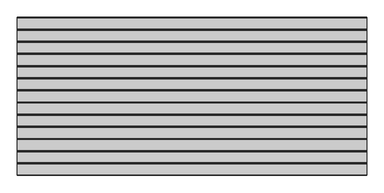
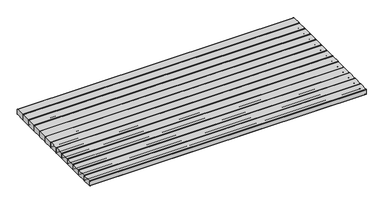
"""IFC4 building model written with IfcOpenShell, lengths in millimetres: furniture geometry."""

from ifc_helpers import new_model, si_unit, frame, origin, place, context, project, spatial, circle_curve, source, transform, mapped, element, save
from ifc_brep_helpers import plane_surface, cylinder_surface, advanced_brep


def furniture_433c8717(model_context):
    return source(origin(), model_context, "Body", "AdvancedBrep", [
        advanced_brep(
        [(1199.9999759, -916.1308913, 172.8), (1199.9999759, -919.1308913, 169.8), (1199.9999759, -919.1308913, 128.3), (1199.9999759, -916.1308913, 125.3), (1199.9999759, -838.5594304, 125.3), (1199.9999759, -835.5656739, 128.2937565), (1199.9999759, -835.5656739, 169.8), (1199.9999759, -838.5656739, 172.8), (-1199.9998, -916.1308913, 172.8), (-1199.9998, -838.5656739, 172.8), (-1199.9998, -835.5656739, 169.8), (-1199.9998, -835.5656739, 128.2937565), (-1199.9998, -838.5594304, 125.3), (-1199.9998, -916.1308913, 125.3), (-1199.9998, -919.1308913, 128.3), (-1199.9998, -919.1308913, 169.8), (-1149.9999759, -916.1308913, 125.3), (1149.9999759, -916.1308913, 125.3), (-1149.9999759, -838.5594304, 125.3), (1149.9999759, -838.5594304, 125.3)],
        [
            (0, 1, circle_curve(frame((1199.9999759, -916.1308913, 169.8), z_axis=(1.0, 0.0, 0.0), x_axis=(0.0, -1.0, 0.0)), 3.0)),
            (1, 2),
            (2, 3, circle_curve(frame((1199.9999759, -916.1308913, 128.3), z_axis=(1.0, 0.0, 0.0), x_axis=(0.0, -1.0, 0.0)), 3.0)),
            (3, 4),
            (4, 5, circle_curve(frame((1199.9999759, -838.5594304, 128.2937565), z_axis=(1.0, 0.0, 0.0), x_axis=(0.0, -1.0, 0.0)), 2.9937565)),
            (5, 6),
            (6, 7, circle_curve(frame((1199.9999759, -838.5656739, 169.8), z_axis=(1.0, 0.0, 0.0), x_axis=(0.0, -1.0, 0.0)), 3.0)),
            (7, 0),
            (8, 9),
            (9, 10, circle_curve(frame((-1199.9998, -838.5656739, 169.8), z_axis=(-1.0, 0.0, 0.0), x_axis=(0.0, -1.0, 0.0)), 3.0)),
            (10, 11),
            (11, 12, circle_curve(frame((-1199.9998, -838.5594304, 128.2937565), z_axis=(-1.0, 0.0, 0.0), x_axis=(0.0, -1.0, 0.0)), 2.9937565)),
            (12, 13),
            (13, 14, circle_curve(frame((-1199.9998, -916.1308913, 128.3), z_axis=(-1.0, 0.0, 0.0), x_axis=(0.0, -1.0, 0.0)), 3.0)),
            (14, 15),
            (15, 8, circle_curve(frame((-1199.9998, -916.1308913, 169.8), z_axis=(-1.0, 0.0, 0.0), x_axis=(0.0, -1.0, 0.0)), 3.0)),
            (0, 8),
            (15, 1),
            (14, 2),
            (13, 16),
            (16, 17),
            (17, 3),
            (12, 18),
            (18, 19),
            (19, 4),
            (11, 5),
            (10, 6),
            (9, 7),
        ],
        [
            plane_surface(frame((1199.9999759, -919.1308913, 169.8), z_axis=(1.0, 0.0, 0.0), x_axis=(0.0, 0.0, -1.0))),
            plane_surface(frame((-1199.9998, -919.1308913, 169.8), z_axis=(-1.0, 0.0, 0.0), x_axis=(0.0, 0.0, 1.0))),
            cylinder_surface(frame((-1199.9998, -916.1308913, 169.8), z_axis=(1.0, 0.0, 0.0), x_axis=(0.0, -1.0, 0.0)), 3.0),
            plane_surface(frame((1199.9999759, -919.1308913, 169.8), z_axis=(0.0, -1.0, 0.0), x_axis=(-1.0, 0.0, 0.0))),
            cylinder_surface(frame((-1199.9998, -916.1308913, 128.3), z_axis=(1.0, 0.0, 0.0), x_axis=(0.0, -1.0, 0.0)), 3.0),
            plane_surface(frame((1199.9999759, -916.1308913, 125.3), z_axis=(0.0, 0.0, -1.0), x_axis=(-1.0, 0.0, 0.0))),
            cylinder_surface(frame((-1199.9998, -838.5594304, 128.2937565), z_axis=(1.0, 0.0, 0.0), x_axis=(0.0, -1.0, 0.0)), 2.9937565),
            plane_surface(frame((1199.9999759, -835.5656739, 128.2937565), z_axis=(0.0, 1.0, 0.0), x_axis=(-1.0, 0.0, 0.0))),
            cylinder_surface(frame((-1199.9998, -838.5656739, 169.8), z_axis=(1.0, 0.0, 0.0), x_axis=(0.0, -1.0, 0.0)), 3.0),
            plane_surface(frame((1199.9999759, -838.5656739, 172.8), z_axis=(0.0, 0.0, 1.0), x_axis=(-1.0, 0.0, 0.0))),
        ],
        [
            (0, [[1, 2, 3, 4, 5, 6, 7, 8]]),
            (1, [[9, 10, 11, 12, 13, 14, 15, 16]]),
            (2, [[-1, 17, -16, 18]]),
            (3, [[-2, -18, -15, 19]]),
            (4, [[-3, -19, -14, 20, 21, 22]]),
            (5, [[-4, -22, -21, -20, -13, 23, 24, 25]]),
            (6, [[-5, -25, -24, -23, -12, 26]]),
            (7, [[-6, -26, -11, 27]]),
            (8, [[-7, -27, -10, 28]]),
            (9, [[-8, -28, -9, -17]]),
        ],
    ),
        advanced_brep(
        [(1199.9999759, -832.5656739, 172.8), (1199.9999759, -835.5656739, 169.8), (1199.9999759, -835.5656739, 128.3), (1199.9999759, -832.5656739, 125.3), (1199.9999759, -754.994213, 125.3), (1199.9999759, -752.0004565, 128.2937565), (1199.9999759, -752.0004565, 169.8), (1199.9999759, -755.0004565, 172.8), (-1199.9998, -832.5656739, 172.8), (-1199.9998, -755.0004565, 172.8), (-1199.9998, -752.0004565, 169.8), (-1199.9998, -752.0004565, 128.2937565), (-1199.9998, -754.994213, 125.3), (-1199.9998, -832.5656739, 125.3), (-1199.9998, -835.5656739, 128.3), (-1199.9998, -835.5656739, 169.8), (-1149.9999759, -832.5656739, 125.3), (1149.9999759, -832.5656739, 125.3), (-1149.9999759, -754.994213, 125.3), (1149.9999759, -754.994213, 125.3)],
        [
            (0, 1, circle_curve(frame((1199.9999759, -832.5656739, 169.8), z_axis=(1.0, 0.0, 0.0), x_axis=(0.0, -1.0, 0.0)), 3.0)),
            (1, 2),
            (2, 3, circle_curve(frame((1199.9999759, -832.5656739, 128.3), z_axis=(1.0, 0.0, 0.0), x_axis=(0.0, -1.0, 0.0)), 3.0)),
            (3, 4),
            (4, 5, circle_curve(frame((1199.9999759, -754.994213, 128.2937565), z_axis=(1.0, 0.0, 0.0), x_axis=(0.0, -1.0, 0.0)), 2.9937565)),
            (5, 6),
            (6, 7, circle_curve(frame((1199.9999759, -755.0004565, 169.8), z_axis=(1.0, 0.0, 0.0), x_axis=(0.0, -1.0, 0.0)), 3.0)),
            (7, 0),
            (8, 9),
            (9, 10, circle_curve(frame((-1199.9998, -755.0004565, 169.8), z_axis=(-1.0, 0.0, 0.0), x_axis=(0.0, -1.0, 0.0)), 3.0)),
            (10, 11),
            (11, 12, circle_curve(frame((-1199.9998, -754.994213, 128.2937565), z_axis=(-1.0, 0.0, 0.0), x_axis=(0.0, -1.0, 0.0)), 2.9937565)),
            (12, 13),
            (13, 14, circle_curve(frame((-1199.9998, -832.5656739, 128.3), z_axis=(-1.0, 0.0, 0.0), x_axis=(0.0, -1.0, 0.0)), 3.0)),
            (14, 15),
            (15, 8, circle_curve(frame((-1199.9998, -832.5656739, 169.8), z_axis=(-1.0, 0.0, 0.0), x_axis=(0.0, -1.0, 0.0)), 3.0)),
            (0, 8),
            (15, 1),
            (14, 2),
            (13, 16),
            (16, 17),
            (17, 3),
            (12, 18),
            (18, 19),
            (19, 4),
            (11, 5),
            (10, 6),
            (9, 7),
        ],
        [
            plane_surface(frame((1199.9999759, -835.5656739, 169.8), z_axis=(1.0, 0.0, 0.0), x_axis=(0.0, 0.0, -1.0))),
            plane_surface(frame((-1199.9998, -835.5656739, 169.8), z_axis=(-1.0, 0.0, 0.0), x_axis=(0.0, 0.0, 1.0))),
            cylinder_surface(frame((-1199.9998, -832.5656739, 169.8), z_axis=(1.0, 0.0, 0.0), x_axis=(0.0, -1.0, 0.0)), 3.0),
            plane_surface(frame((1199.9999759, -835.5656739, 169.8), z_axis=(0.0, -1.0, 0.0), x_axis=(-1.0, 0.0, 0.0))),
            cylinder_surface(frame((-1199.9998, -832.5656739, 128.3), z_axis=(1.0, 0.0, 0.0), x_axis=(0.0, -1.0, 0.0)), 3.0),
            plane_surface(frame((1199.9999759, -832.5656739, 125.3), z_axis=(0.0, 0.0, -1.0), x_axis=(-1.0, 0.0, 0.0))),
            cylinder_surface(frame((-1199.9998, -754.994213, 128.2937565), z_axis=(1.0, 0.0, 0.0), x_axis=(0.0, -1.0, 0.0)), 2.9937565),
            plane_surface(frame((1199.9999759, -752.0004565, 128.2937565), z_axis=(0.0, 1.0, 0.0), x_axis=(-1.0, 0.0, 0.0))),
            cylinder_surface(frame((-1199.9998, -755.0004565, 169.8), z_axis=(1.0, 0.0, 0.0), x_axis=(0.0, -1.0, 0.0)), 3.0),
            plane_surface(frame((1199.9999759, -755.0004565, 172.8), z_axis=(0.0, 0.0, 1.0), x_axis=(-1.0, 0.0, 0.0))),
        ],
        [
            (0, [[1, 2, 3, 4, 5, 6, 7, 8]]),
            (1, [[9, 10, 11, 12, 13, 14, 15, 16]]),
            (2, [[-1, 17, -16, 18]]),
            (3, [[-2, -18, -15, 19]]),
            (4, [[-3, -19, -14, 20, 21, 22]]),
            (5, [[-4, -22, -21, -20, -13, 23, 24, 25]]),
            (6, [[-5, -25, -24, -23, -12, 26]]),
            (7, [[-6, -26, -11, 27]]),
            (8, [[-7, -27, -10, 28]]),
            (9, [[-8, -28, -9, -17]]),
        ],
    ),
        advanced_brep(
        [(1199.9999759, -749.0004565, 172.8), (1199.9999759, -752.0004565, 169.8), (1199.9999759, -752.0004565, 128.3), (1199.9999759, -749.0004565, 125.3), (1199.9999759, -671.4289956, 125.3), (1199.9999759, -668.4352391, 128.2937565), (1199.9999759, -668.4352391, 169.8), (1199.9999759, -671.4352391, 172.8), (-1199.9998, -749.0004565, 172.8), (-1199.9998, -671.4352391, 172.8), (-1199.9998, -668.4352391, 169.8), (-1199.9998, -668.4352391, 128.2937565), (-1199.9998, -671.4289956, 125.3), (-1199.9998, -749.0004565, 125.3), (-1199.9998, -752.0004565, 128.3), (-1199.9998, -752.0004565, 169.8), (-1149.9999759, -749.0004565, 125.3), (1149.9999759, -749.0004565, 125.3), (-1149.9999759, -671.4289956, 125.3), (1149.9999759, -671.4289956, 125.3)],
        [
            (0, 1, circle_curve(frame((1199.9999759, -749.0004565, 169.8), z_axis=(1.0, 0.0, 0.0), x_axis=(0.0, -1.0, 0.0)), 3.0)),
            (1, 2),
            (2, 3, circle_curve(frame((1199.9999759, -749.0004565, 128.3), z_axis=(1.0, 0.0, 0.0), x_axis=(0.0, -1.0, 0.0)), 3.0)),
            (3, 4),
            (4, 5, circle_curve(frame((1199.9999759, -671.4289956, 128.2937565), z_axis=(1.0, 0.0, 0.0), x_axis=(0.0, -1.0, 0.0)), 2.9937565)),
            (5, 6),
            (6, 7, circle_curve(frame((1199.9999759, -671.4352391, 169.8), z_axis=(1.0, 0.0, 0.0), x_axis=(0.0, -1.0, 0.0)), 3.0)),
            (7, 0),
            (8, 9),
            (9, 10, circle_curve(frame((-1199.9998, -671.4352391, 169.8), z_axis=(-1.0, 0.0, 0.0), x_axis=(0.0, -1.0, 0.0)), 3.0)),
            (10, 11),
            (11, 12, circle_curve(frame((-1199.9998, -671.4289956, 128.2937565), z_axis=(-1.0, 0.0, 0.0), x_axis=(0.0, -1.0, 0.0)), 2.9937565)),
            (12, 13),
            (13, 14, circle_curve(frame((-1199.9998, -749.0004565, 128.3), z_axis=(-1.0, 0.0, 0.0), x_axis=(0.0, -1.0, 0.0)), 3.0)),
            (14, 15),
            (15, 8, circle_curve(frame((-1199.9998, -749.0004565, 169.8), z_axis=(-1.0, 0.0, 0.0), x_axis=(0.0, -1.0, 0.0)), 3.0)),
            (0, 8),
            (15, 1),
            (14, 2),
            (13, 16),
            (16, 17),
            (17, 3),
            (12, 18),
            (18, 19),
            (19, 4),
            (11, 5),
            (10, 6),
            (9, 7),
        ],
        [
            plane_surface(frame((1199.9999759, -752.0004565, 169.8), z_axis=(1.0, 0.0, 0.0), x_axis=(0.0, 0.0, -1.0))),
            plane_surface(frame((-1199.9998, -752.0004565, 169.8), z_axis=(-1.0, 0.0, 0.0), x_axis=(0.0, 0.0, 1.0))),
            cylinder_surface(frame((-1199.9998, -749.0004565, 169.8), z_axis=(1.0, 0.0, 0.0), x_axis=(0.0, -1.0, 0.0)), 3.0),
            plane_surface(frame((1199.9999759, -752.0004565, 169.8), z_axis=(0.0, -1.0, 0.0), x_axis=(-1.0, 0.0, 0.0))),
            cylinder_surface(frame((-1199.9998, -749.0004565, 128.3), z_axis=(1.0, 0.0, 0.0), x_axis=(0.0, -1.0, 0.0)), 3.0),
            plane_surface(frame((1199.9999759, -749.0004565, 125.3), z_axis=(0.0, 0.0, -1.0), x_axis=(-1.0, 0.0, 0.0))),
            cylinder_surface(frame((-1199.9998, -671.4289956, 128.2937565), z_axis=(1.0, 0.0, 0.0), x_axis=(0.0, -1.0, 0.0)), 2.9937565),
            plane_surface(frame((1199.9999759, -668.4352391, 128.2937565), z_axis=(0.0, 1.0, 0.0), x_axis=(-1.0, 0.0, 0.0))),
            cylinder_surface(frame((-1199.9998, -671.4352391, 169.8), z_axis=(1.0, 0.0, 0.0), x_axis=(0.0, -1.0, 0.0)), 3.0),
            plane_surface(frame((1199.9999759, -671.4352391, 172.8), z_axis=(0.0, 0.0, 1.0), x_axis=(-1.0, 0.0, 0.0))),
        ],
        [
            (0, [[1, 2, 3, 4, 5, 6, 7, 8]]),
            (1, [[9, 10, 11, 12, 13, 14, 15, 16]]),
            (2, [[-1, 17, -16, 18]]),
            (3, [[-2, -18, -15, 19]]),
            (4, [[-3, -19, -14, 20, 21, 22]]),
            (5, [[-4, -22, -21, -20, -13, 23, 24, 25]]),
            (6, [[-5, -25, -24, -23, -12, 26]]),
            (7, [[-6, -26, -11, 27]]),
            (8, [[-7, -27, -10, 28]]),
            (9, [[-8, -28, -9, -17]]),
        ],
    ),
        advanced_brep(
        [(1199.9999759, -665.4352391, 172.8), (1199.9999759, -668.4352391, 169.8), (1199.9999759, -668.4352391, 128.3), (1199.9999759, -665.4352391, 125.3), (1199.9999759, -587.8637782, 125.3), (1199.9999759, -584.8700217, 128.2937565), (1199.9999759, -584.8700217, 169.8), (1199.9999759, -587.8700217, 172.8), (-1199.9998, -665.4352391, 172.8), (-1199.9998, -587.8700217, 172.8), (-1199.9998, -584.8700217, 169.8), (-1199.9998, -584.8700217, 128.2937565), (-1199.9998, -587.8637782, 125.3), (-1199.9998, -665.4352391, 125.3), (-1199.9998, -668.4352391, 128.3), (-1199.9998, -668.4352391, 169.8), (-1149.9999759, -665.4352391, 125.3), (1149.9999759, -665.4352391, 125.3), (-1149.9999759, -587.8637782, 125.3), (1149.9999759, -587.8637782, 125.3)],
        [
            (0, 1, circle_curve(frame((1199.9999759, -665.4352391, 169.8), z_axis=(1.0, 0.0, 0.0), x_axis=(0.0, -1.0, 0.0)), 3.0)),
            (1, 2),
            (2, 3, circle_curve(frame((1199.9999759, -665.4352391, 128.3), z_axis=(1.0, 0.0, 0.0), x_axis=(0.0, -1.0, 0.0)), 3.0)),
            (3, 4),
            (4, 5, circle_curve(frame((1199.9999759, -587.8637782, 128.2937565), z_axis=(1.0, 0.0, 0.0), x_axis=(0.0, -1.0, 0.0)), 2.9937565)),
            (5, 6),
            (6, 7, circle_curve(frame((1199.9999759, -587.8700217, 169.8), z_axis=(1.0, 0.0, 0.0), x_axis=(0.0, -1.0, 0.0)), 3.0)),
            (7, 0),
            (8, 9),
            (9, 10, circle_curve(frame((-1199.9998, -587.8700217, 169.8), z_axis=(-1.0, 0.0, 0.0), x_axis=(0.0, -1.0, 0.0)), 3.0)),
            (10, 11),
            (11, 12, circle_curve(frame((-1199.9998, -587.8637782, 128.2937565), z_axis=(-1.0, 0.0, 0.0), x_axis=(0.0, -1.0, 0.0)), 2.9937565)),
            (12, 13),
            (13, 14, circle_curve(frame((-1199.9998, -665.4352391, 128.3), z_axis=(-1.0, 0.0, 0.0), x_axis=(0.0, -1.0, 0.0)), 3.0)),
            (14, 15),
            (15, 8, circle_curve(frame((-1199.9998, -665.4352391, 169.8), z_axis=(-1.0, 0.0, 0.0), x_axis=(0.0, -1.0, 0.0)), 3.0)),
            (0, 8),
            (15, 1),
            (14, 2),
            (13, 16),
            (16, 17),
            (17, 3),
            (12, 18),
            (18, 19),
            (19, 4),
            (11, 5),
            (10, 6),
            (9, 7),
        ],
        [
            plane_surface(frame((1199.9999759, -668.4352391, 169.8), z_axis=(1.0, 0.0, 0.0), x_axis=(0.0, 0.0, -1.0))),
            plane_surface(frame((-1199.9998, -668.4352391, 169.8), z_axis=(-1.0, 0.0, 0.0), x_axis=(0.0, 0.0, 1.0))),
            cylinder_surface(frame((-1199.9998, -665.4352391, 169.8), z_axis=(1.0, 0.0, 0.0), x_axis=(0.0, -1.0, 0.0)), 3.0),
            plane_surface(frame((1199.9999759, -668.4352391, 169.8), z_axis=(0.0, -1.0, 0.0), x_axis=(-1.0, 0.0, 0.0))),
            cylinder_surface(frame((-1199.9998, -665.4352391, 128.3), z_axis=(1.0, 0.0, 0.0), x_axis=(0.0, -1.0, 0.0)), 3.0),
            plane_surface(frame((1199.9999759, -665.4352391, 125.3), z_axis=(0.0, 0.0, -1.0), x_axis=(-1.0, 0.0, 0.0))),
            cylinder_surface(frame((-1199.9998, -587.8637782, 128.2937565), z_axis=(1.0, 0.0, 0.0), x_axis=(0.0, -1.0, 0.0)), 2.9937565),
            plane_surface(frame((1199.9999759, -584.8700217, 128.2937565), z_axis=(0.0, 1.0, 0.0), x_axis=(-1.0, 0.0, 0.0))),
            cylinder_surface(frame((-1199.9998, -587.8700217, 169.8), z_axis=(1.0, 0.0, 0.0), x_axis=(0.0, -1.0, 0.0)), 3.0),
            plane_surface(frame((1199.9999759, -587.8700217, 172.8), z_axis=(0.0, 0.0, 1.0), x_axis=(-1.0, 0.0, 0.0))),
        ],
        [
            (0, [[1, 2, 3, 4, 5, 6, 7, 8]]),
            (1, [[9, 10, 11, 12, 13, 14, 15, 16]]),
            (2, [[-1, 17, -16, 18]]),
            (3, [[-2, -18, -15, 19]]),
            (4, [[-3, -19, -14, 20, 21, 22]]),
            (5, [[-4, -22, -21, -20, -13, 23, 24, 25]]),
            (6, [[-5, -25, -24, -23, -12, 26]]),
            (7, [[-6, -26, -11, 27]]),
            (8, [[-7, -27, -10, 28]]),
            (9, [[-8, -28, -9, -17]]),
        ],
    ),
        advanced_brep(
        [(1199.9999759, -581.8700217, 172.8), (1199.9999759, -584.8700217, 169.8), (1199.9999759, -584.8700217, 128.3), (1199.9999759, -581.8700217, 125.3), (1199.9999759, -504.2985608, 125.3), (1199.9999759, -501.3048043, 128.2937565), (1199.9999759, -501.3048043, 169.8), (1199.9999759, -504.3048043, 172.8), (-1199.9998, -581.8700217, 172.8), (-1199.9998, -504.3048043, 172.8), (-1199.9998, -501.3048043, 169.8), (-1199.9998, -501.3048043, 128.2937565), (-1199.9998, -504.2985608, 125.3), (-1199.9998, -581.8700217, 125.3), (-1199.9998, -584.8700217, 128.3), (-1199.9998, -584.8700217, 169.8), (-1149.9999759, -581.8700217, 125.3), (1149.9999759, -581.8700217, 125.3), (-1149.9999759, -504.2985608, 125.3), (1149.9999759, -504.2985608, 125.3)],
        [
            (0, 1, circle_curve(frame((1199.9999759, -581.8700217, 169.8), z_axis=(1.0, 0.0, 0.0), x_axis=(0.0, -1.0, 0.0)), 3.0)),
            (1, 2),
            (2, 3, circle_curve(frame((1199.9999759, -581.8700217, 128.3), z_axis=(1.0, 0.0, 0.0), x_axis=(0.0, -1.0, 0.0)), 3.0)),
            (3, 4),
            (4, 5, circle_curve(frame((1199.9999759, -504.2985608, 128.2937565), z_axis=(1.0, 0.0, 0.0), x_axis=(0.0, -1.0, 0.0)), 2.9937565)),
            (5, 6),
            (6, 7, circle_curve(frame((1199.9999759, -504.3048043, 169.8), z_axis=(1.0, 0.0, 0.0), x_axis=(0.0, -1.0, 0.0)), 3.0)),
            (7, 0),
            (8, 9),
            (9, 10, circle_curve(frame((-1199.9998, -504.3048043, 169.8), z_axis=(-1.0, 0.0, 0.0), x_axis=(0.0, -1.0, 0.0)), 3.0)),
            (10, 11),
            (11, 12, circle_curve(frame((-1199.9998, -504.2985608, 128.2937565), z_axis=(-1.0, 0.0, 0.0), x_axis=(0.0, -1.0, 0.0)), 2.9937565)),
            (12, 13),
            (13, 14, circle_curve(frame((-1199.9998, -581.8700217, 128.3), z_axis=(-1.0, 0.0, 0.0), x_axis=(0.0, -1.0, 0.0)), 3.0)),
            (14, 15),
            (15, 8, circle_curve(frame((-1199.9998, -581.8700217, 169.8), z_axis=(-1.0, 0.0, 0.0), x_axis=(0.0, -1.0, 0.0)), 3.0)),
            (0, 8),
            (15, 1),
            (14, 2),
            (13, 16),
            (16, 17),
            (17, 3),
            (12, 18),
            (18, 19),
            (19, 4),
            (11, 5),
            (10, 6),
            (9, 7),
        ],
        [
            plane_surface(frame((1199.9999759, -584.8700217, 169.8), z_axis=(1.0, 0.0, 0.0), x_axis=(0.0, 0.0, -1.0))),
            plane_surface(frame((-1199.9998, -584.8700217, 169.8), z_axis=(-1.0, 0.0, 0.0), x_axis=(0.0, 0.0, 1.0))),
            cylinder_surface(frame((-1199.9998, -581.8700217, 169.8), z_axis=(1.0, 0.0, 0.0), x_axis=(0.0, -1.0, 0.0)), 3.0),
            plane_surface(frame((1199.9999759, -584.8700217, 169.8), z_axis=(0.0, -1.0, 0.0), x_axis=(-1.0, 0.0, 0.0))),
            cylinder_surface(frame((-1199.9998, -581.8700217, 128.3), z_axis=(1.0, 0.0, 0.0), x_axis=(0.0, -1.0, 0.0)), 3.0),
            plane_surface(frame((1199.9999759, -581.8700217, 125.3), z_axis=(0.0, 0.0, -1.0), x_axis=(-1.0, 0.0, 0.0))),
            cylinder_surface(frame((-1199.9998, -504.2985608, 128.2937565), z_axis=(1.0, 0.0, 0.0), x_axis=(0.0, -1.0, 0.0)), 2.9937565),
            plane_surface(frame((1199.9999759, -501.3048043, 128.2937565), z_axis=(0.0, 1.0, 0.0), x_axis=(-1.0, 0.0, 0.0))),
            cylinder_surface(frame((-1199.9998, -504.3048043, 169.8), z_axis=(1.0, 0.0, 0.0), x_axis=(0.0, -1.0, 0.0)), 3.0),
            plane_surface(frame((1199.9999759, -504.3048043, 172.8), z_axis=(0.0, 0.0, 1.0), x_axis=(-1.0, 0.0, 0.0))),
        ],
        [
            (0, [[1, 2, 3, 4, 5, 6, 7, 8]]),
            (1, [[9, 10, 11, 12, 13, 14, 15, 16]]),
            (2, [[-1, 17, -16, 18]]),
            (3, [[-2, -18, -15, 19]]),
            (4, [[-3, -19, -14, 20, 21, 22]]),
            (5, [[-4, -22, -21, -20, -13, 23, 24, 25]]),
            (6, [[-5, -25, -24, -23, -12, 26]]),
            (7, [[-6, -26, -11, 27]]),
            (8, [[-7, -27, -10, 28]]),
            (9, [[-8, -28, -9, -17]]),
        ],
    ),
        advanced_brep(
        [(1199.9999759, -498.3048043, 172.8), (1199.9999759, -501.3048043, 169.8), (1199.9999759, -501.3048043, 128.3), (1199.9999759, -498.3048043, 125.3), (1199.9999759, -420.7333434, 125.3), (1199.9999759, -417.739587, 128.2937565), (1199.9999759, -417.739587, 169.8), (1199.9999759, -420.739587, 172.8), (-1199.9998, -498.3048043, 172.8), (-1199.9998, -420.739587, 172.8), (-1199.9998, -417.739587, 169.8), (-1199.9998, -417.739587, 128.2937565), (-1199.9998, -420.7333434, 125.3), (-1199.9998, -498.3048043, 125.3), (-1199.9998, -501.3048043, 128.3), (-1199.9998, -501.3048043, 169.8), (-1149.9999759, -498.3048043, 125.3), (1149.9999759, -498.3048043, 125.3), (-1149.9999759, -420.7333434, 125.3), (1149.9999759, -420.7333434, 125.3)],
        [
            (0, 1, circle_curve(frame((1199.9999759, -498.3048043, 169.8), z_axis=(1.0, 0.0, 0.0), x_axis=(0.0, -1.0, 0.0)), 3.0)),
            (1, 2),
            (2, 3, circle_curve(frame((1199.9999759, -498.3048043, 128.3), z_axis=(1.0, 0.0, 0.0), x_axis=(0.0, -1.0, 0.0)), 3.0)),
            (3, 4),
            (4, 5, circle_curve(frame((1199.9999759, -420.7333434, 128.2937565), z_axis=(1.0, 0.0, 0.0), x_axis=(0.0, -1.0, 0.0)), 2.9937565)),
            (5, 6),
            (6, 7, circle_curve(frame((1199.9999759, -420.739587, 169.8), z_axis=(1.0, 0.0, 0.0), x_axis=(0.0, -1.0, 0.0)), 3.0)),
            (7, 0),
            (8, 9),
            (9, 10, circle_curve(frame((-1199.9998, -420.739587, 169.8), z_axis=(-1.0, 0.0, 0.0), x_axis=(0.0, -1.0, 0.0)), 3.0)),
            (10, 11),
            (11, 12, circle_curve(frame((-1199.9998, -420.7333434, 128.2937565), z_axis=(-1.0, 0.0, 0.0), x_axis=(0.0, -1.0, 0.0)), 2.9937565)),
            (12, 13),
            (13, 14, circle_curve(frame((-1199.9998, -498.3048043, 128.3), z_axis=(-1.0, 0.0, 0.0), x_axis=(0.0, -1.0, 0.0)), 3.0)),
            (14, 15),
            (15, 8, circle_curve(frame((-1199.9998, -498.3048043, 169.8), z_axis=(-1.0, 0.0, 0.0), x_axis=(0.0, -1.0, 0.0)), 3.0)),
            (0, 8),
            (15, 1),
            (14, 2),
            (13, 16),
            (16, 17),
            (17, 3),
            (12, 18),
            (18, 19),
            (19, 4),
            (11, 5),
            (10, 6),
            (9, 7),
        ],
        [
            plane_surface(frame((1199.9999759, -501.3048043, 169.8), z_axis=(1.0, 0.0, 0.0), x_axis=(0.0, 0.0, -1.0))),
            plane_surface(frame((-1199.9998, -501.3048043, 169.8), z_axis=(-1.0, 0.0, 0.0), x_axis=(0.0, 0.0, 1.0))),
            cylinder_surface(frame((-1199.9998, -498.3048043, 169.8), z_axis=(1.0, 0.0, 0.0), x_axis=(0.0, -1.0, 0.0)), 3.0),
            plane_surface(frame((1199.9999759, -501.3048043, 169.8), z_axis=(0.0, -1.0, 0.0), x_axis=(-1.0, 0.0, 0.0))),
            cylinder_surface(frame((-1199.9998, -498.3048043, 128.3), z_axis=(1.0, 0.0, 0.0), x_axis=(0.0, -1.0, 0.0)), 3.0),
            plane_surface(frame((1199.9999759, -498.3048043, 125.3), z_axis=(0.0, 0.0, -1.0), x_axis=(-1.0, 0.0, 0.0))),
            cylinder_surface(frame((-1199.9998, -420.7333434, 128.2937565), z_axis=(1.0, 0.0, 0.0), x_axis=(0.0, -1.0, 0.0)), 2.9937565),
            plane_surface(frame((1199.9999759, -417.739587, 128.2937565), z_axis=(0.0, 1.0, 0.0), x_axis=(-1.0, 0.0, 0.0))),
            cylinder_surface(frame((-1199.9998, -420.739587, 169.8), z_axis=(1.0, 0.0, 0.0), x_axis=(0.0, -1.0, 0.0)), 3.0),
            plane_surface(frame((1199.9999759, -420.739587, 172.8), z_axis=(0.0, 0.0, 1.0), x_axis=(-1.0, 0.0, 0.0))),
        ],
        [
            (0, [[1, 2, 3, 4, 5, 6, 7, 8]]),
            (1, [[9, 10, 11, 12, 13, 14, 15, 16]]),
            (2, [[-1, 17, -16, 18]]),
            (3, [[-2, -18, -15, 19]]),
            (4, [[-3, -19, -14, 20, 21, 22]]),
            (5, [[-4, -22, -21, -20, -13, 23, 24, 25]]),
            (6, [[-5, -25, -24, -23, -12, 26]]),
            (7, [[-6, -26, -11, 27]]),
            (8, [[-7, -27, -10, 28]]),
            (9, [[-8, -28, -9, -17]]),
        ],
    ),
        advanced_brep(
        [(1199.9999759, -414.739587, 172.8), (1199.9999759, -417.739587, 169.8), (1199.9999759, -417.739587, 128.3), (1199.9999759, -414.739587, 125.3), (1199.9999759, -337.1681261, 125.3), (1199.9999759, -334.1743696, 128.2937565), (1199.9999759, -334.1743696, 169.8), (1199.9999759, -337.1743696, 172.8), (-1199.9998, -414.739587, 172.8), (-1199.9998, -337.1743696, 172.8), (-1199.9998, -334.1743696, 169.8), (-1199.9998, -334.1743696, 128.2937565), (-1199.9998, -337.1681261, 125.3), (-1199.9998, -414.739587, 125.3), (-1199.9998, -417.739587, 128.3), (-1199.9998, -417.739587, 169.8), (-1149.9999759, -414.739587, 125.3), (1149.9999759, -414.739587, 125.3), (-1149.9999759, -337.1681261, 125.3), (1149.9999759, -337.1681261, 125.3)],
        [
            (0, 1, circle_curve(frame((1199.9999759, -414.739587, 169.8), z_axis=(1.0, 0.0, 0.0), x_axis=(0.0, -1.0, 0.0)), 3.0)),
            (1, 2),
            (2, 3, circle_curve(frame((1199.9999759, -414.739587, 128.3), z_axis=(1.0, 0.0, 0.0), x_axis=(0.0, -1.0, 0.0)), 3.0)),
            (3, 4),
            (4, 5, circle_curve(frame((1199.9999759, -337.1681261, 128.2937565), z_axis=(1.0, 0.0, 0.0), x_axis=(0.0, -1.0, 0.0)), 2.9937565)),
            (5, 6),
            (6, 7, circle_curve(frame((1199.9999759, -337.1743696, 169.8), z_axis=(1.0, 0.0, 0.0), x_axis=(0.0, -1.0, 0.0)), 3.0)),
            (7, 0),
            (8, 9),
            (9, 10, circle_curve(frame((-1199.9998, -337.1743696, 169.8), z_axis=(-1.0, 0.0, 0.0), x_axis=(0.0, -1.0, 0.0)), 3.0)),
            (10, 11),
            (11, 12, circle_curve(frame((-1199.9998, -337.1681261, 128.2937565), z_axis=(-1.0, 0.0, 0.0), x_axis=(0.0, -1.0, 0.0)), 2.9937565)),
            (12, 13),
            (13, 14, circle_curve(frame((-1199.9998, -414.739587, 128.3), z_axis=(-1.0, 0.0, 0.0), x_axis=(0.0, -1.0, 0.0)), 3.0)),
            (14, 15),
            (15, 8, circle_curve(frame((-1199.9998, -414.739587, 169.8), z_axis=(-1.0, 0.0, 0.0), x_axis=(0.0, -1.0, 0.0)), 3.0)),
            (0, 8),
            (15, 1),
            (14, 2),
            (13, 16),
            (16, 17),
            (17, 3),
            (12, 18),
            (18, 19),
            (19, 4),
            (11, 5),
            (10, 6),
            (9, 7),
        ],
        [
            plane_surface(frame((1199.9999759, -417.739587, 169.8), z_axis=(1.0, 0.0, 0.0), x_axis=(0.0, 0.0, -1.0))),
            plane_surface(frame((-1199.9998, -417.739587, 169.8), z_axis=(-1.0, 0.0, 0.0), x_axis=(0.0, 0.0, 1.0))),
            cylinder_surface(frame((-1199.9998, -414.739587, 169.8), z_axis=(1.0, 0.0, 0.0), x_axis=(0.0, -1.0, 0.0)), 3.0),
            plane_surface(frame((1199.9999759, -417.739587, 169.8), z_axis=(0.0, -1.0, 0.0), x_axis=(-1.0, 0.0, 0.0))),
            cylinder_surface(frame((-1199.9998, -414.739587, 128.3), z_axis=(1.0, 0.0, 0.0), x_axis=(0.0, -1.0, 0.0)), 3.0),
            plane_surface(frame((1199.9999759, -414.739587, 125.3), z_axis=(0.0, 0.0, -1.0), x_axis=(-1.0, 0.0, 0.0))),
            cylinder_surface(frame((-1199.9998, -337.1681261, 128.2937565), z_axis=(1.0, 0.0, 0.0), x_axis=(0.0, -1.0, 0.0)), 2.9937565),
            plane_surface(frame((1199.9999759, -334.1743696, 128.2937565), z_axis=(0.0, 1.0, 0.0), x_axis=(-1.0, 0.0, 0.0))),
            cylinder_surface(frame((-1199.9998, -337.1743696, 169.8), z_axis=(1.0, 0.0, 0.0), x_axis=(0.0, -1.0, 0.0)), 3.0),
            plane_surface(frame((1199.9999759, -337.1743696, 172.8), z_axis=(0.0, 0.0, 1.0), x_axis=(-1.0, 0.0, 0.0))),
        ],
        [
            (0, [[1, 2, 3, 4, 5, 6, 7, 8]]),
            (1, [[9, 10, 11, 12, 13, 14, 15, 16]]),
            (2, [[-1, 17, -16, 18]]),
            (3, [[-2, -18, -15, 19]]),
            (4, [[-3, -19, -14, 20, 21, 22]]),
            (5, [[-4, -22, -21, -20, -13, 23, 24, 25]]),
            (6, [[-5, -25, -24, -23, -12, 26]]),
            (7, [[-6, -26, -11, 27]]),
            (8, [[-7, -27, -10, 28]]),
            (9, [[-8, -28, -9, -17]]),
        ],
    ),
        advanced_brep(
        [(1199.9999759, -331.1743696, 172.8), (1199.9999759, -334.1743696, 169.8), (1199.9999759, -334.1743696, 128.3), (1199.9999759, -331.1743696, 125.3), (1199.9999759, -253.6029087, 125.3), (1199.9999759, -250.6091522, 128.2937565), (1199.9999759, -250.6091522, 169.8), (1199.9999759, -253.6091522, 172.8), (-1199.9998, -331.1743696, 172.8), (-1199.9998, -253.6091522, 172.8), (-1199.9998, -250.6091522, 169.8), (-1199.9998, -250.6091522, 128.2937565), (-1199.9998, -253.6029087, 125.3), (-1199.9998, -331.1743696, 125.3), (-1199.9998, -334.1743696, 128.3), (-1199.9998, -334.1743696, 169.8), (-1149.9999759, -331.1743696, 125.3), (1149.9999759, -331.1743696, 125.3), (-1149.9999759, -253.6029087, 125.3), (1149.9999759, -253.6029087, 125.3)],
        [
            (0, 1, circle_curve(frame((1199.9999759, -331.1743696, 169.8), z_axis=(1.0, 0.0, 0.0), x_axis=(0.0, -1.0, 0.0)), 3.0)),
            (1, 2),
            (2, 3, circle_curve(frame((1199.9999759, -331.1743696, 128.3), z_axis=(1.0, 0.0, 0.0), x_axis=(0.0, -1.0, 0.0)), 3.0)),
            (3, 4),
            (4, 5, circle_curve(frame((1199.9999759, -253.6029087, 128.2937565), z_axis=(1.0, 0.0, 0.0), x_axis=(0.0, -1.0, 0.0)), 2.9937565)),
            (5, 6),
            (6, 7, circle_curve(frame((1199.9999759, -253.6091522, 169.8), z_axis=(1.0, 0.0, 0.0), x_axis=(0.0, -1.0, 0.0)), 3.0)),
            (7, 0),
            (8, 9),
            (9, 10, circle_curve(frame((-1199.9998, -253.6091522, 169.8), z_axis=(-1.0, 0.0, 0.0), x_axis=(0.0, -1.0, 0.0)), 3.0)),
            (10, 11),
            (11, 12, circle_curve(frame((-1199.9998, -253.6029087, 128.2937565), z_axis=(-1.0, 0.0, 0.0), x_axis=(0.0, -1.0, 0.0)), 2.9937565)),
            (12, 13),
            (13, 14, circle_curve(frame((-1199.9998, -331.1743696, 128.3), z_axis=(-1.0, 0.0, 0.0), x_axis=(0.0, -1.0, 0.0)), 3.0)),
            (14, 15),
            (15, 8, circle_curve(frame((-1199.9998, -331.1743696, 169.8), z_axis=(-1.0, 0.0, 0.0), x_axis=(0.0, -1.0, 0.0)), 3.0)),
            (0, 8),
            (15, 1),
            (14, 2),
            (13, 16),
            (16, 17),
            (17, 3),
            (12, 18),
            (18, 19),
            (19, 4),
            (11, 5),
            (10, 6),
            (9, 7),
        ],
        [
            plane_surface(frame((1199.9999759, -334.1743696, 169.8), z_axis=(1.0, 0.0, 0.0), x_axis=(0.0, 0.0, -1.0))),
            plane_surface(frame((-1199.9998, -334.1743696, 169.8), z_axis=(-1.0, 0.0, 0.0), x_axis=(0.0, 0.0, 1.0))),
            cylinder_surface(frame((-1199.9998, -331.1743696, 169.8), z_axis=(1.0, 0.0, 0.0), x_axis=(0.0, -1.0, 0.0)), 3.0),
            plane_surface(frame((1199.9999759, -334.1743696, 169.8), z_axis=(0.0, -1.0, 0.0), x_axis=(-1.0, 0.0, 0.0))),
            cylinder_surface(frame((-1199.9998, -331.1743696, 128.3), z_axis=(1.0, 0.0, 0.0), x_axis=(0.0, -1.0, 0.0)), 3.0),
            plane_surface(frame((1199.9999759, -331.1743696, 125.3), z_axis=(0.0, 0.0, -1.0), x_axis=(-1.0, 0.0, 0.0))),
            cylinder_surface(frame((-1199.9998, -253.6029087, 128.2937565), z_axis=(1.0, 0.0, 0.0), x_axis=(0.0, -1.0, 0.0)), 2.9937565),
            plane_surface(frame((1199.9999759, -250.6091522, 128.2937565), z_axis=(0.0, 1.0, 0.0), x_axis=(-1.0, 0.0, 0.0))),
            cylinder_surface(frame((-1199.9998, -253.6091522, 169.8), z_axis=(1.0, 0.0, 0.0), x_axis=(0.0, -1.0, 0.0)), 3.0),
            plane_surface(frame((1199.9999759, -253.6091522, 172.8), z_axis=(0.0, 0.0, 1.0), x_axis=(-1.0, 0.0, 0.0))),
        ],
        [
            (0, [[1, 2, 3, 4, 5, 6, 7, 8]]),
            (1, [[9, 10, 11, 12, 13, 14, 15, 16]]),
            (2, [[-1, 17, -16, 18]]),
            (3, [[-2, -18, -15, 19]]),
            (4, [[-3, -19, -14, 20, 21, 22]]),
            (5, [[-4, -22, -21, -20, -13, 23, 24, 25]]),
            (6, [[-5, -25, -24, -23, -12, 26]]),
            (7, [[-6, -26, -11, 27]]),
            (8, [[-7, -27, -10, 28]]),
            (9, [[-8, -28, -9, -17]]),
        ],
    ),
        advanced_brep(
        [(1199.9999759, -247.6091522, 172.8), (1199.9999759, -250.6091522, 169.8), (1199.9999759, -250.6091522, 128.3), (1199.9999759, -247.6091522, 125.3), (1199.9999759, -170.0376913, 125.3), (1199.9999759, -167.0439348, 128.2937565), (1199.9999759, -167.0439348, 169.8), (1199.9999759, -170.0439348, 172.8), (-1199.9998, -247.6091522, 172.8), (-1199.9998, -170.0439348, 172.8), (-1199.9998, -167.0439348, 169.8), (-1199.9998, -167.0439348, 128.2937565), (-1199.9998, -170.0376913, 125.3), (-1199.9998, -247.6091522, 125.3), (-1199.9998, -250.6091522, 128.3), (-1199.9998, -250.6091522, 169.8), (-1149.9999759, -247.6091522, 125.3), (1149.9999759, -247.6091522, 125.3), (-1149.9999759, -170.0376913, 125.3), (1149.9999759, -170.0376913, 125.3)],
        [
            (0, 1, circle_curve(frame((1199.9999759, -247.6091522, 169.8), z_axis=(1.0, 0.0, 0.0), x_axis=(0.0, -1.0, 0.0)), 3.0)),
            (1, 2),
            (2, 3, circle_curve(frame((1199.9999759, -247.6091522, 128.3), z_axis=(1.0, 0.0, 0.0), x_axis=(0.0, -1.0, 0.0)), 3.0)),
            (3, 4),
            (4, 5, circle_curve(frame((1199.9999759, -170.0376913, 128.2937565), z_axis=(1.0, 0.0, 0.0), x_axis=(0.0, -1.0, 0.0)), 2.9937565)),
            (5, 6),
            (6, 7, circle_curve(frame((1199.9999759, -170.0439348, 169.8), z_axis=(1.0, 0.0, 0.0), x_axis=(0.0, -1.0, 0.0)), 3.0)),
            (7, 0),
            (8, 9),
            (9, 10, circle_curve(frame((-1199.9998, -170.0439348, 169.8), z_axis=(-1.0, 0.0, 0.0), x_axis=(0.0, -1.0, 0.0)), 3.0)),
            (10, 11),
            (11, 12, circle_curve(frame((-1199.9998, -170.0376913, 128.2937565), z_axis=(-1.0, 0.0, 0.0), x_axis=(0.0, -1.0, 0.0)), 2.9937565)),
            (12, 13),
            (13, 14, circle_curve(frame((-1199.9998, -247.6091522, 128.3), z_axis=(-1.0, 0.0, 0.0), x_axis=(0.0, -1.0, 0.0)), 3.0)),
            (14, 15),
            (15, 8, circle_curve(frame((-1199.9998, -247.6091522, 169.8), z_axis=(-1.0, 0.0, 0.0), x_axis=(0.0, -1.0, 0.0)), 3.0)),
            (0, 8),
            (15, 1),
            (14, 2),
            (13, 16),
            (16, 17),
            (17, 3),
            (12, 18),
            (18, 19),
            (19, 4),
            (11, 5),
            (10, 6),
            (9, 7),
        ],
        [
            plane_surface(frame((1199.9999759, -250.6091522, 169.8), z_axis=(1.0, 0.0, 0.0), x_axis=(0.0, 0.0, -1.0))),
            plane_surface(frame((-1199.9998, -250.6091522, 169.8), z_axis=(-1.0, 0.0, 0.0), x_axis=(0.0, 0.0, 1.0))),
            cylinder_surface(frame((-1199.9998, -247.6091522, 169.8), z_axis=(1.0, 0.0, 0.0), x_axis=(0.0, -1.0, 0.0)), 3.0),
            plane_surface(frame((1199.9999759, -250.6091522, 169.8), z_axis=(0.0, -1.0, 0.0), x_axis=(-1.0, 0.0, 0.0))),
            cylinder_surface(frame((-1199.9998, -247.6091522, 128.3), z_axis=(1.0, 0.0, 0.0), x_axis=(0.0, -1.0, 0.0)), 3.0),
            plane_surface(frame((1199.9999759, -247.6091522, 125.3), z_axis=(0.0, 0.0, -1.0), x_axis=(-1.0, 0.0, 0.0))),
            cylinder_surface(frame((-1199.9998, -170.0376913, 128.2937565), z_axis=(1.0, 0.0, 0.0), x_axis=(0.0, -1.0, 0.0)), 2.9937565),
            plane_surface(frame((1199.9999759, -167.0439348, 128.2937565), z_axis=(0.0, 1.0, 0.0), x_axis=(-1.0, 0.0, 0.0))),
            cylinder_surface(frame((-1199.9998, -170.0439348, 169.8), z_axis=(1.0, 0.0, 0.0), x_axis=(0.0, -1.0, 0.0)), 3.0),
            plane_surface(frame((1199.9999759, -170.0439348, 172.8), z_axis=(0.0, 0.0, 1.0), x_axis=(-1.0, 0.0, 0.0))),
        ],
        [
            (0, [[1, 2, 3, 4, 5, 6, 7, 8]]),
            (1, [[9, 10, 11, 12, 13, 14, 15, 16]]),
            (2, [[-1, 17, -16, 18]]),
            (3, [[-2, -18, -15, 19]]),
            (4, [[-3, -19, -14, 20, 21, 22]]),
            (5, [[-4, -22, -21, -20, -13, 23, 24, 25]]),
            (6, [[-5, -25, -24, -23, -12, 26]]),
            (7, [[-6, -26, -11, 27]]),
            (8, [[-7, -27, -10, 28]]),
            (9, [[-8, -28, -9, -17]]),
        ],
    ),
        advanced_brep(
        [(1199.9999759, -164.0439348, 172.8), (1199.9999759, -167.0439348, 169.8), (1199.9999759, -167.0439348, 128.3), (1199.9999759, -164.0439348, 125.3), (1199.9999759, -86.4724739, 125.3), (1199.9999759, -83.4787174, 128.2937565), (1199.9999759, -83.4787174, 169.8), (1199.9999759, -86.4787174, 172.8), (-1199.9998, -164.0439348, 172.8), (-1199.9998, -86.4787174, 172.8), (-1199.9998, -83.4787174, 169.8), (-1199.9998, -83.4787174, 128.2937565), (-1199.9998, -86.4724739, 125.3), (-1199.9998, -164.0439348, 125.3), (-1199.9998, -167.0439348, 128.3), (-1199.9998, -167.0439348, 169.8), (-1149.9999759, -164.0439348, 125.3), (1149.9999759, -164.0439348, 125.3), (-1149.9999759, -86.4724739, 125.3), (1149.9999759, -86.4724739, 125.3)],
        [
            (0, 1, circle_curve(frame((1199.9999759, -164.0439348, 169.8), z_axis=(1.0, 0.0, 0.0), x_axis=(0.0, -1.0, 0.0)), 3.0)),
            (1, 2),
            (2, 3, circle_curve(frame((1199.9999759, -164.0439348, 128.3), z_axis=(1.0, 0.0, 0.0), x_axis=(0.0, -1.0, 0.0)), 3.0)),
            (3, 4),
            (4, 5, circle_curve(frame((1199.9999759, -86.4724739, 128.2937565), z_axis=(1.0, 0.0, 0.0), x_axis=(0.0, -1.0, 0.0)), 2.9937565)),
            (5, 6),
            (6, 7, circle_curve(frame((1199.9999759, -86.4787174, 169.8), z_axis=(1.0, 0.0, 0.0), x_axis=(0.0, -1.0, 0.0)), 3.0)),
            (7, 0),
            (8, 9),
            (9, 10, circle_curve(frame((-1199.9998, -86.4787174, 169.8), z_axis=(-1.0, 0.0, 0.0), x_axis=(0.0, -1.0, 0.0)), 3.0)),
            (10, 11),
            (11, 12, circle_curve(frame((-1199.9998, -86.4724739, 128.2937565), z_axis=(-1.0, 0.0, 0.0), x_axis=(0.0, -1.0, 0.0)), 2.9937565)),
            (12, 13),
            (13, 14, circle_curve(frame((-1199.9998, -164.0439348, 128.3), z_axis=(-1.0, 0.0, 0.0), x_axis=(0.0, -1.0, 0.0)), 3.0)),
            (14, 15),
            (15, 8, circle_curve(frame((-1199.9998, -164.0439348, 169.8), z_axis=(-1.0, 0.0, 0.0), x_axis=(0.0, -1.0, 0.0)), 3.0)),
            (0, 8),
            (15, 1),
            (14, 2),
            (13, 16),
            (16, 17),
            (17, 3),
            (12, 18),
            (18, 19),
            (19, 4),
            (11, 5),
            (10, 6),
            (9, 7),
        ],
        [
            plane_surface(frame((1199.9999759, -167.0439348, 169.8), z_axis=(1.0, 0.0, 0.0), x_axis=(0.0, 0.0, -1.0))),
            plane_surface(frame((-1199.9998, -167.0439348, 169.8), z_axis=(-1.0, 0.0, 0.0), x_axis=(0.0, 0.0, 1.0))),
            cylinder_surface(frame((-1199.9998, -164.0439348, 169.8), z_axis=(1.0, 0.0, 0.0), x_axis=(0.0, -1.0, 0.0)), 3.0),
            plane_surface(frame((1199.9999759, -167.0439348, 169.8), z_axis=(0.0, -1.0, 0.0), x_axis=(-1.0, 0.0, 0.0))),
            cylinder_surface(frame((-1199.9998, -164.0439348, 128.3), z_axis=(1.0, 0.0, 0.0), x_axis=(0.0, -1.0, 0.0)), 3.0),
            plane_surface(frame((1199.9999759, -164.0439348, 125.3), z_axis=(0.0, 0.0, -1.0), x_axis=(-1.0, 0.0, 0.0))),
            cylinder_surface(frame((-1199.9998, -86.4724739, 128.2937565), z_axis=(1.0, 0.0, 0.0), x_axis=(0.0, -1.0, 0.0)), 2.9937565),
            plane_surface(frame((1199.9999759, -83.4787174, 128.2937565), z_axis=(0.0, 1.0, 0.0), x_axis=(-1.0, 0.0, 0.0))),
            cylinder_surface(frame((-1199.9998, -86.4787174, 169.8), z_axis=(1.0, 0.0, 0.0), x_axis=(0.0, -1.0, 0.0)), 3.0),
            plane_surface(frame((1199.9999759, -86.4787174, 172.8), z_axis=(0.0, 0.0, 1.0), x_axis=(-1.0, 0.0, 0.0))),
        ],
        [
            (0, [[1, 2, 3, 4, 5, 6, 7, 8]]),
            (1, [[9, 10, 11, 12, 13, 14, 15, 16]]),
            (2, [[-1, 17, -16, 18]]),
            (3, [[-2, -18, -15, 19]]),
            (4, [[-3, -19, -14, 20, 21, 22]]),
            (5, [[-4, -22, -21, -20, -13, 23, 24, 25]]),
            (6, [[-5, -25, -24, -23, -12, 26]]),
            (7, [[-6, -26, -11, 27]]),
            (8, [[-7, -27, -10, 28]]),
            (9, [[-8, -28, -9, -17]]),
        ],
    ),
        advanced_brep(
        [(1199.9999759, -80.4787174, 172.8), (1199.9999759, -83.4787174, 169.8), (1199.9999759, -83.4787174, 128.3), (1199.9999759, -80.4787174, 125.3), (1199.9999759, -2.9072565, 125.3), (1199.9999759, 0.0865, 128.2937565), (1199.9999759, 0.0865, 169.8), (1199.9999759, -2.9135, 172.8), (-1199.9998, -80.4787174, 172.8), (-1199.9998, -2.9135, 172.8), (-1199.9998, 0.0865, 169.8), (-1199.9998, 0.0865, 128.2937565), (-1199.9998, -2.9072565, 125.3), (-1199.9998, -80.4787174, 125.3), (-1199.9998, -83.4787174, 128.3), (-1199.9998, -83.4787174, 169.8), (-1149.9999759, -80.4787174, 125.3), (1149.9999759, -80.4787174, 125.3), (-1149.9999759, -2.9072565, 125.3), (1149.9999759, -2.9072565, 125.3)],
        [
            (0, 1, circle_curve(frame((1199.9999759, -80.4787174, 169.8), z_axis=(1.0, 0.0, 0.0), x_axis=(0.0, -1.0, 0.0)), 3.0)),
            (1, 2),
            (2, 3, circle_curve(frame((1199.9999759, -80.4787174, 128.3), z_axis=(1.0, 0.0, 0.0), x_axis=(0.0, -1.0, 0.0)), 3.0)),
            (3, 4),
            (4, 5, circle_curve(frame((1199.9999759, -2.9072565, 128.2937565), z_axis=(1.0, 0.0, 0.0), x_axis=(0.0, -1.0, 0.0)), 2.9937565)),
            (5, 6),
            (6, 7, circle_curve(frame((1199.9999759, -2.9135, 169.8), z_axis=(1.0, 0.0, 0.0), x_axis=(0.0, -1.0, 0.0)), 3.0)),
            (7, 0),
            (8, 9),
            (9, 10, circle_curve(frame((-1199.9998, -2.9135, 169.8), z_axis=(-1.0, 0.0, 0.0), x_axis=(0.0, -1.0, 0.0)), 3.0)),
            (10, 11),
            (11, 12, circle_curve(frame((-1199.9998, -2.9072565, 128.2937565), z_axis=(-1.0, 0.0, 0.0), x_axis=(0.0, -1.0, 0.0)), 2.9937565)),
            (12, 13),
            (13, 14, circle_curve(frame((-1199.9998, -80.4787174, 128.3), z_axis=(-1.0, 0.0, 0.0), x_axis=(0.0, -1.0, 0.0)), 3.0)),
            (14, 15),
            (15, 8, circle_curve(frame((-1199.9998, -80.4787174, 169.8), z_axis=(-1.0, 0.0, 0.0), x_axis=(0.0, -1.0, 0.0)), 3.0)),
            (0, 8),
            (15, 1),
            (14, 2),
            (13, 16),
            (16, 17),
            (17, 3),
            (12, 18),
            (18, 19),
            (19, 4),
            (11, 5),
            (10, 6),
            (9, 7),
        ],
        [
            plane_surface(frame((1199.9999759, -83.4787174, 169.8), z_axis=(1.0, 0.0, 0.0), x_axis=(0.0, 0.0, -1.0))),
            plane_surface(frame((-1199.9998, -83.4787174, 169.8), z_axis=(-1.0, 0.0, 0.0), x_axis=(0.0, 0.0, 1.0))),
            cylinder_surface(frame((-1199.9998, -80.4787174, 169.8), z_axis=(1.0, 0.0, 0.0), x_axis=(0.0, -1.0, 0.0)), 3.0),
            plane_surface(frame((1199.9999759, -83.4787174, 169.8), z_axis=(0.0, -1.0, 0.0), x_axis=(-1.0, 0.0, 0.0))),
            cylinder_surface(frame((-1199.9998, -80.4787174, 128.3), z_axis=(1.0, 0.0, 0.0), x_axis=(0.0, -1.0, 0.0)), 3.0),
            plane_surface(frame((1199.9999759, -80.4787174, 125.3), z_axis=(0.0, 0.0, -1.0), x_axis=(-1.0, 0.0, 0.0))),
            cylinder_surface(frame((-1199.9998, -2.9072565, 128.2937565), z_axis=(1.0, 0.0, 0.0), x_axis=(0.0, -1.0, 0.0)), 2.9937565),
            plane_surface(frame((1199.9999759, 0.0865, 128.2937565), z_axis=(0.0, 1.0, 0.0), x_axis=(-1.0, 0.0, 0.0))),
            cylinder_surface(frame((-1199.9998, -2.9135, 169.8), z_axis=(1.0, 0.0, 0.0), x_axis=(0.0, -1.0, 0.0)), 3.0),
            plane_surface(frame((1199.9999759, -2.9135, 172.8), z_axis=(0.0, 0.0, 1.0), x_axis=(-1.0, 0.0, 0.0))),
        ],
        [
            (0, [[1, 2, 3, 4, 5, 6, 7, 8]]),
            (1, [[9, 10, 11, 12, 13, 14, 15, 16]]),
            (2, [[-1, 17, -16, 18]]),
            (3, [[-2, -18, -15, 19]]),
            (4, [[-3, -19, -14, 20, 21, 22]]),
            (5, [[-4, -22, -21, -20, -13, 23, 24, 25]]),
            (6, [[-5, -25, -24, -23, -12, 26]]),
            (7, [[-6, -26, -11, 27]]),
            (8, [[-7, -27, -10, 28]]),
            (9, [[-8, -28, -9, -17]]),
        ],
    ),
        advanced_brep(
        [(1199.9999759, 3.0865, 172.8), (1199.9999759, 0.0865, 169.8), (1199.9999759, 0.0865, 128.3), (1199.9999759, 3.0865, 125.3), (1199.9999759, 80.6579609, 125.3), (1199.9999759, 83.6517174, 128.2937565), (1199.9999759, 83.6517174, 169.8), (1199.9999759, 80.6517174, 172.8), (-1199.9998, 3.0865, 172.8), (-1199.9998, 80.6517174, 172.8), (-1199.9998, 83.6517174, 169.8), (-1199.9998, 83.6517174, 128.2937565), (-1199.9998, 80.6579609, 125.3), (-1199.9998, 3.0865, 125.3), (-1199.9998, 0.0865, 128.3), (-1199.9998, 0.0865, 169.8), (-1149.9999759, 3.0865, 125.3), (1149.9999759, 3.0865, 125.3), (-1149.9999759, 80.6579609, 125.3), (1149.9999759, 80.6579609, 125.3)],
        [
            (0, 1, circle_curve(frame((1199.9999759, 3.0865, 169.8), z_axis=(1.0, 0.0, 0.0), x_axis=(0.0, -1.0, 0.0)), 3.0)),
            (1, 2),
            (2, 3, circle_curve(frame((1199.9999759, 3.0865, 128.3), z_axis=(1.0, 0.0, 0.0), x_axis=(0.0, -1.0, 0.0)), 3.0)),
            (3, 4),
            (4, 5, circle_curve(frame((1199.9999759, 80.6579609, 128.2937565), z_axis=(1.0, 0.0, 0.0), x_axis=(0.0, -1.0, 0.0)), 2.9937565)),
            (5, 6),
            (6, 7, circle_curve(frame((1199.9999759, 80.6517174, 169.8), z_axis=(1.0, 0.0, 0.0), x_axis=(0.0, -1.0, 0.0)), 3.0)),
            (7, 0),
            (8, 9),
            (9, 10, circle_curve(frame((-1199.9998, 80.6517174, 169.8), z_axis=(-1.0, 0.0, 0.0), x_axis=(0.0, -1.0, 0.0)), 3.0)),
            (10, 11),
            (11, 12, circle_curve(frame((-1199.9998, 80.6579609, 128.2937565), z_axis=(-1.0, 0.0, 0.0), x_axis=(0.0, -1.0, 0.0)), 2.9937565)),
            (12, 13),
            (13, 14, circle_curve(frame((-1199.9998, 3.0865, 128.3), z_axis=(-1.0, 0.0, 0.0), x_axis=(0.0, -1.0, 0.0)), 3.0)),
            (14, 15),
            (15, 8, circle_curve(frame((-1199.9998, 3.0865, 169.8), z_axis=(-1.0, 0.0, 0.0), x_axis=(0.0, -1.0, 0.0)), 3.0)),
            (0, 8),
            (15, 1),
            (14, 2),
            (13, 16),
            (16, 17),
            (17, 3),
            (12, 18),
            (18, 19),
            (19, 4),
            (11, 5),
            (10, 6),
            (9, 7),
        ],
        [
            plane_surface(frame((1199.9999759, 0.0865, 169.8), z_axis=(1.0, 0.0, 0.0), x_axis=(0.0, 0.0, -1.0))),
            plane_surface(frame((-1199.9998, 0.0865, 169.8), z_axis=(-1.0, 0.0, 0.0), x_axis=(0.0, 0.0, 1.0))),
            cylinder_surface(frame((-1199.9998, 3.0865, 169.8), z_axis=(1.0, 0.0, 0.0), x_axis=(0.0, -1.0, 0.0)), 3.0),
            plane_surface(frame((1199.9999759, 0.0865, 169.8), z_axis=(0.0, -1.0, 0.0), x_axis=(-1.0, 0.0, 0.0))),
            cylinder_surface(frame((-1199.9998, 3.0865, 128.3), z_axis=(1.0, 0.0, 0.0), x_axis=(0.0, -1.0, 0.0)), 3.0),
            plane_surface(frame((1199.9999759, 3.0865, 125.3), z_axis=(0.0, 0.0, -1.0), x_axis=(-1.0, 0.0, 0.0))),
            cylinder_surface(frame((-1199.9998, 80.6579609, 128.2937565), z_axis=(1.0, 0.0, 0.0), x_axis=(0.0, -1.0, 0.0)), 2.9937565),
            plane_surface(frame((1199.9999759, 83.6517174, 128.2937565), z_axis=(0.0, 1.0, 0.0), x_axis=(-1.0, 0.0, 0.0))),
            cylinder_surface(frame((-1199.9998, 80.6517174, 169.8), z_axis=(1.0, 0.0, 0.0), x_axis=(0.0, -1.0, 0.0)), 3.0),
            plane_surface(frame((1199.9999759, 80.6517174, 172.8), z_axis=(0.0, 0.0, 1.0), x_axis=(-1.0, 0.0, 0.0))),
        ],
        [
            (0, [[1, 2, 3, 4, 5, 6, 7, 8]]),
            (1, [[9, 10, 11, 12, 13, 14, 15, 16]]),
            (2, [[-1, 17, -16, 18]]),
            (3, [[-2, -18, -15, 19]]),
            (4, [[-3, -19, -14, 20, 21, 22]]),
            (5, [[-4, -22, -21, -20, -13, 23, 24, 25]]),
            (6, [[-5, -25, -24, -23, -12, 26]]),
            (7, [[-6, -26, -11, 27]]),
            (8, [[-7, -27, -10, 28]]),
            (9, [[-8, -28, -9, -17]]),
        ],
    ),
        advanced_brep(
        [(1199.9999759, 86.6517174, 172.8), (1199.9999759, 83.6517174, 169.8), (1199.9999759, 83.6517174, 128.3), (1199.9999759, 86.6517174, 125.3), (1199.9999759, 164.2231783, 125.3), (1199.9999759, 167.2169348, 128.2937565), (1199.9999759, 167.2169348, 169.8), (1199.9999759, 164.2169348, 172.8), (-1199.9998, 86.6517174, 172.8), (-1199.9998, 164.2169348, 172.8), (-1199.9998, 167.2169348, 169.8), (-1199.9998, 167.2169348, 128.2937565), (-1199.9998, 164.2231783, 125.3), (-1199.9998, 86.6517174, 125.3), (-1199.9998, 83.6517174, 128.3), (-1199.9998, 83.6517174, 169.8), (-1149.9999759, 86.6517174, 125.3), (1149.9999759, 86.6517174, 125.3), (-1149.9999759, 164.2231783, 125.3), (1149.9999759, 164.2231783, 125.3)],
        [
            (0, 1, circle_curve(frame((1199.9999759, 86.6517174, 169.8), z_axis=(1.0, 0.0, 0.0), x_axis=(0.0, -1.0, 0.0)), 3.0)),
            (1, 2),
            (2, 3, circle_curve(frame((1199.9999759, 86.6517174, 128.3), z_axis=(1.0, 0.0, 0.0), x_axis=(0.0, -1.0, 0.0)), 3.0)),
            (3, 4),
            (4, 5, circle_curve(frame((1199.9999759, 164.2231783, 128.2937565), z_axis=(1.0, 0.0, 0.0), x_axis=(0.0, -1.0, 0.0)), 2.9937565)),
            (5, 6),
            (6, 7, circle_curve(frame((1199.9999759, 164.2169348, 169.8), z_axis=(1.0, 0.0, 0.0), x_axis=(0.0, -1.0, 0.0)), 3.0)),
            (7, 0),
            (8, 9),
            (9, 10, circle_curve(frame((-1199.9998, 164.2169348, 169.8), z_axis=(-1.0, 0.0, 0.0), x_axis=(0.0, -1.0, 0.0)), 3.0)),
            (10, 11),
            (11, 12, circle_curve(frame((-1199.9998, 164.2231783, 128.2937565), z_axis=(-1.0, 0.0, 0.0), x_axis=(0.0, -1.0, 0.0)), 2.9937565)),
            (12, 13),
            (13, 14, circle_curve(frame((-1199.9998, 86.6517174, 128.3), z_axis=(-1.0, 0.0, 0.0), x_axis=(0.0, -1.0, 0.0)), 3.0)),
            (14, 15),
            (15, 8, circle_curve(frame((-1199.9998, 86.6517174, 169.8), z_axis=(-1.0, 0.0, 0.0), x_axis=(0.0, -1.0, 0.0)), 3.0)),
            (0, 8),
            (15, 1),
            (14, 2),
            (13, 16),
            (16, 17),
            (17, 3),
            (12, 18),
            (18, 19),
            (19, 4),
            (11, 5),
            (10, 6),
            (9, 7),
        ],
        [
            plane_surface(frame((1199.9999759, 83.6517174, 169.8), z_axis=(1.0, 0.0, 0.0), x_axis=(0.0, 0.0, -1.0))),
            plane_surface(frame((-1199.9998, 83.6517174, 169.8), z_axis=(-1.0, 0.0, 0.0), x_axis=(0.0, 0.0, 1.0))),
            cylinder_surface(frame((-1199.9998, 86.6517174, 169.8), z_axis=(1.0, 0.0, 0.0), x_axis=(0.0, -1.0, 0.0)), 3.0),
            plane_surface(frame((1199.9999759, 83.6517174, 169.8), z_axis=(0.0, -1.0, 0.0), x_axis=(-1.0, 0.0, 0.0))),
            cylinder_surface(frame((-1199.9998, 86.6517174, 128.3), z_axis=(1.0, 0.0, 0.0), x_axis=(0.0, -1.0, 0.0)), 3.0),
            plane_surface(frame((1199.9999759, 86.6517174, 125.3), z_axis=(0.0, 0.0, -1.0), x_axis=(-1.0, 0.0, 0.0))),
            cylinder_surface(frame((-1199.9998, 164.2231783, 128.2937565), z_axis=(1.0, 0.0, 0.0), x_axis=(0.0, -1.0, 0.0)), 2.9937565),
            plane_surface(frame((1199.9999759, 167.2169348, 128.2937565), z_axis=(0.0, 1.0, 0.0), x_axis=(-1.0, 0.0, 0.0))),
            cylinder_surface(frame((-1199.9998, 164.2169348, 169.8), z_axis=(1.0, 0.0, 0.0), x_axis=(0.0, -1.0, 0.0)), 3.0),
            plane_surface(frame((1199.9999759, 164.2169348, 172.8), z_axis=(0.0, 0.0, 1.0), x_axis=(-1.0, 0.0, 0.0))),
        ],
        [
            (0, [[1, 2, 3, 4, 5, 6, 7, 8]]),
            (1, [[9, 10, 11, 12, 13, 14, 15, 16]]),
            (2, [[-1, 17, -16, 18]]),
            (3, [[-2, -18, -15, 19]]),
            (4, [[-3, -19, -14, 20, 21, 22]]),
            (5, [[-4, -22, -21, -20, -13, 23, 24, 25]]),
            (6, [[-5, -25, -24, -23, -12, 26]]),
            (7, [[-6, -26, -11, 27]]),
            (8, [[-7, -27, -10, 28]]),
            (9, [[-8, -28, -9, -17]]),
        ],
    ),
    ])


if __name__ == "__main__":
    model = new_model("IFC4")
    model_context = context("Model", 3, world=origin())
    ifc_project = project(units=[si_unit("LENGTHUNIT", "METRE", prefix="MILLI")], contexts=[model_context])
    site = spatial("IfcSite", under=ifc_project)
    building = spatial("IfcBuilding", under=site)
    placement = place(None, origin())
    furniture_shape = furniture_433c8717(model_context)
    element("IfcFurniture", 1, at=placement, inside=building, context=model_context, shape_type="MappedRepresentation", body=[
        mapped(furniture_shape, transform((0.0, 0.0, 0.0), x_axis=(1.0, 0.0, 0.0), y_axis=(0.0, 1.0, 0.0), z_axis=(0.0, 0.0, 1.0))),
    ])
    save(model, "model.ifc")
